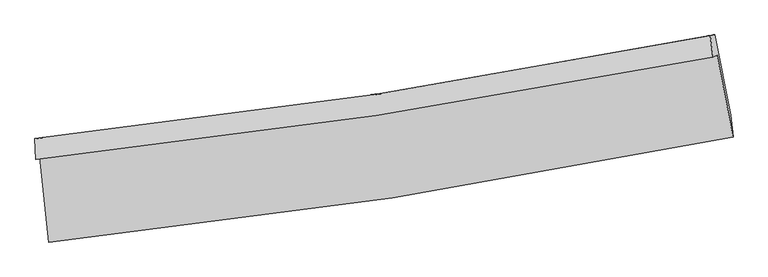
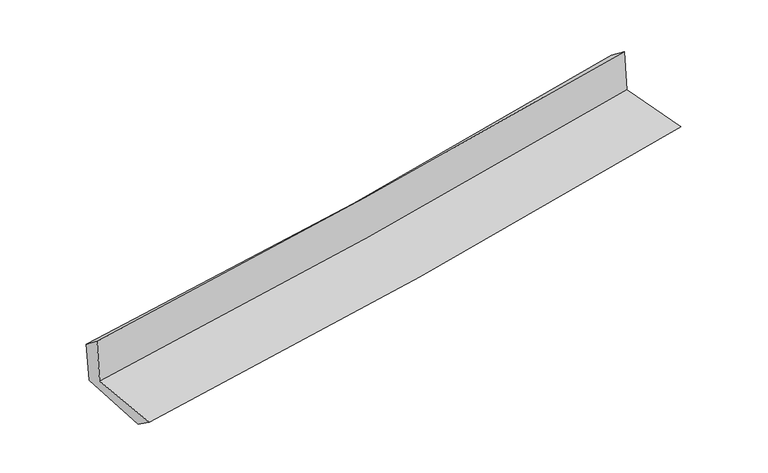
"""IFC4 building model written with IfcOpenShell, lengths in millimetres: proxy geometry."""

from ifc_helpers import new_model, si_unit, frame, origin, place, context, project, spatial, source, transform, mapped, element, save
from ifc_brep_helpers import plane_surface, spline_curve, spline_surface, advanced_brep


def generic_models_68dd38fa(model_context):
    return source(origin(), model_context, "Body", "AdvancedBrep", [
        advanced_brep(
        [(-2675.834813, -1888.8996102, 1651.0337143), (-2605.7566467, -2554.9393638, 1632.7786296), (2749.4941668, -1729.0807239, 2121.1366654), (2624.1117319, -1087.0073977, 2133.9122739), (-2709.4166589, -1906.4238427, 2058.6230023), (2591.7061071, -1103.9178352, 2527.2255422), (-2715.3825932, -1743.7666579, 1934.6642754), (2571.3539898, -936.6270911, 2394.7805129), (-2684.3651035, -1737.2308398, 1569.6305548), (2604.898303, -929.6119038, 2010.0194815), (-2612.2853006, -2393.8482615, 1517.1570397), (2729.7714312, -1558.0490357, 1973.7742505)],
        [
            (0, 1),
            (1, 2, spline_curve(3, [(-2605.7566467, -2554.9393638, 1632.7786296), (-1707.027433402, -2460.907078772, 1722.311264783), (-810.963194234, -2344.981730847, 1807.809521663), (974.110127871, -2069.611045616, 1970.579967556), (1863.12949294, -1910.250180163, 2047.867722299), (2749.4941668, -1729.0807239, 2121.1366654)], [4, 2, 4], [0.0, 8.888143968573823, 17.759124382170157])),
            (2, 3),
            (3, 0, spline_curve(3, [(2624.1117319, -1087.0073977, 2133.9122739), (1746.856533874, -1258.631726645, 2061.751408511), (866.996093616, -1411.222072144, 1985.473968727), (-899.642663634, -1678.593201236, 1824.530393896), (-1786.431071758, -1793.300259768, 1739.848313662), (-2675.834813, -1888.8996102, 1651.0337143)], [4, 2, 4], [0.0, 8.870980413596333, 17.759124382170157])),
            (4, 0),
            (3, 5),
            (5, 4, spline_curve(3, [(2591.7061071, -1103.9178352, 2527.2255422), (1714.042700881, -1275.755181892, 2460.019177447), (833.880130262, -1428.503190126, 2387.40875159), (-933.151111602, -1696.079131998, 2231.228836939), (-1820.029462931, -1810.833126241, 2147.638415756), (-2709.4166589, -1906.4238427, 2058.6230023)], [4, 2, 4], [0.0, 8.82270155721982, 17.662473259583376])),
            (6, 4),
            (5, 7),
            (7, 6, spline_curve(3, [(2571.3539898, -936.6270911, 2394.7805129), (1697.690325632, -1110.705126031, 2317.033982324), (820.72609147, -1264.959944921, 2239.854206256), (-941.506652034, -1534.083249473, 2086.479932025), (-1826.787945358, -1648.874952719, 2010.287628923), (-2715.3825932, -1743.7666579, 1934.6642754)], [4, 2, 4], [0.0, 8.811057882245661, 17.639163381476248])),
            (8, 6),
            (7, 9),
            (9, 8, spline_curve(3, [(2604.898303, -929.6119038, 2010.0194815), (1729.655078286, -1104.017690557, 1948.797581191), (851.690138648, -1258.476414028, 1881.528871966), (-911.387121208, -1527.75998766, 1734.755984317), (-1796.509983875, -1642.507576257, 1655.228384876), (-2684.3651035, -1737.2308398, 1569.6305548)], [4, 2, 4], [0.0, 8.800274652818798, 17.617576059252016])),
            (10, 8),
            (9, 11),
            (11, 10, spline_curve(3, [(2729.7714312, -1558.0490357, 1973.7742505), (1845.950359552, -1744.713957715, 1912.670603247), (959.301407352, -1907.651993377, 1844.111333369), (-821.373216531, -2186.343637873, 1691.93447437), (-1715.409841482, -2302.005344001, 1608.288007581), (-2612.2853006, -2393.8482615, 1517.1570397)], [4, 2, 4], [0.0, 8.848990214201553, 17.715101436787243])),
            (1, 10),
            (11, 2),
        ],
        [
            spline_surface(3, 3, [[(-2675.834813, -1888.8996102, 1651.0337143), (-1786.431071809, -1793.300259903, 1739.848313792), (-899.642663664, -1678.593201315, 1824.53039381), (866.996093645, -1411.222072065, 1985.473968813), (1746.856533809, -1258.631726499, 2061.751408608), (2624.1117319, -1087.0073977, 2133.9122739)], [(-2652.475424243, -2110.912861371, 1644.948686067), (-1759.963192391, -2015.835866164, 1734.002630785), (-870.082840497, -1900.722711169, 1818.956769779), (902.700771699, -1630.685063212, 1980.509301692), (1785.614186847, -1475.837877677, 2057.1235132), (2665.905876854, -1301.031839746, 2129.65373773)], [(-2629.116035457, -2332.926112629, 1638.863657833), (-1733.495312944, -2238.37147251, 1728.156947779), (-840.523017333, -2122.852221063, 1813.383145774), (938.40544975, -1850.148054399, 1975.544634598), (1824.371839924, -1693.044028916, 2052.495617801), (2707.700021846, -1515.056281854, 2125.39520157)], [(-2605.7566467, -2554.9393638, 1632.7786296), (-1707.027433526, -2460.907078771, 1722.311264773), (-810.963194167, -2344.981730917, 1807.809521742), (974.110127804, -2069.611045546, 1970.579967476), (1863.129492962, -1910.250180094, 2047.867722393), (2749.4941668, -1729.0807239, 2121.1366654)]], [4, 4], [4, 2, 4], [0.0, 2.197426393059228], [0.0, 8.888143968573823, 17.759124382170157]),
            spline_surface(3, 3, [[(-2709.4166589, -1906.4238427, 2058.6230023), (-1820.029463055, -1810.833126368, 2147.638415808), (-933.151111603, -1696.079132068, 2231.228836836), (833.880130262, -1428.503190056, 2387.408751693), (1714.042700857, -1275.755181906, 2460.019177329), (2591.7061071, -1103.9178352, 2527.2255422)], [(-2698.222710267, -1900.582431874, 1922.759906275), (-1808.829999307, -1804.988837554, 2011.708381778), (-921.981628954, -1690.250488485, 2095.662689141), (844.918784726, -1422.742817394, 2253.430490714), (1724.980645192, -1270.047363464, 2327.263254439), (2602.507982052, -1098.281022726, 2396.121119451)], [(-2687.028761633, -1894.741021026, 1786.896810325), (-1797.630535558, -1799.144548718, 1875.778347822), (-910.812146313, -1684.421844898, 1960.096541505), (855.957439181, -1416.982444727, 2119.452229793), (1735.918589473, -1264.339544942, 2194.507331497), (2613.309856948, -1092.644210174, 2265.016696649)], [(-2675.834813, -1888.8996102, 1651.0337143), (-1786.431071809, -1793.300259903, 1739.848313792), (-899.642663664, -1678.593201315, 1824.53039381), (866.996093645, -1411.222072065, 1985.473968813), (1746.856533809, -1258.631726499, 2061.751408608), (2624.1117319, -1087.0073977, 2133.9122739)]], [4, 4], [4, 2, 4], [0.0, 1.332229329051937], [0.0, 8.839771702363555, 17.662473259583376]),
            spline_surface(3, 3, [[(-2715.3825932, -1743.7666579, 1934.6642754), (-1826.787945414, -1648.874952609, 2010.28762889), (-941.506651998, -1534.083249343, 2086.479931944), (820.726091434, -1264.959945052, 2239.854206336), (1697.690325697, -1110.705126013, 2317.033982462), (2571.3539898, -936.6270911, 2394.7805129)], [(-2713.393948431, -1797.985719523, 1975.983851047), (-1824.535117959, -1702.861010552, 2056.071224542), (-938.721471865, -1588.081876925, 2134.729566935), (825.110771044, -1319.47436006, 2289.039054815), (1703.141117402, -1165.72181129, 2364.695714089), (2578.138028885, -992.390672446, 2438.928856005)], [(-2711.405303669, -1852.204781077, 2017.303426653), (-1822.282290511, -1756.847068425, 2101.854820155), (-935.936291736, -1642.080504486, 2182.979201846), (829.495450651, -1373.988775048, 2338.223903214), (1708.591909151, -1220.738496629, 2412.357445701), (2584.922068015, -1048.154253854, 2483.077199095)], [(-2709.4166589, -1906.4238427, 2058.6230023), (-1820.029463055, -1810.833126368, 2147.638415808), (-933.151111603, -1696.079132068, 2231.228836836), (833.880130262, -1428.503190056, 2387.408751693), (1714.042700857, -1275.755181906, 2460.019177329), (2591.7061071, -1103.9178352, 2527.2255422)]], [4, 4], [4, 2, 4], [0.0, 0.7185604122418383], [0.0, 8.828105499230587, 17.639163381476248]),
            spline_surface(3, 3, [[(-2684.3651035, -1737.2308398, 1569.6305548), (-1796.509983884, -1642.507576204, 1655.228384778), (-911.387121302, -1527.759987724, 1734.755984363), (851.690138743, -1258.476413965, 1881.52887192), (1729.65507832, -1104.017690471, 1948.797581233), (2604.898303, -929.6119038, 2010.0194815)], [(-2694.704266734, -1739.409445817, 1691.308461658), (-1806.602637728, -1644.630034989, 1773.58146614), (-921.426964852, -1529.86774159, 1851.997300214), (841.368789655, -1260.637590987, 2000.970650049), (1719.000160768, -1106.246835667, 2071.543048293), (2593.716865256, -931.950299582, 2138.273158617)], [(-2705.043429966, -1741.588051883, 1812.986368542), (-1816.69529157, -1646.752493823, 1891.934547527), (-931.466808449, -1531.975495476, 1969.238616094), (831.047440521, -1262.798768029, 2120.412428207), (1708.345243249, -1108.475980817, 2194.288515401), (2582.535427544, -934.288695318, 2266.526835783)], [(-2715.3825932, -1743.7666579, 1934.6642754), (-1826.787945414, -1648.874952609, 2010.28762889), (-941.506651998, -1534.083249343, 2086.479931944), (820.726091434, -1264.959945052, 2239.854206336), (1697.690325697, -1110.705126013, 2317.033982462), (2571.3539898, -936.6270911, 2394.7805129)]], [4, 4], [4, 2, 4], [0.0, 1.1692488609939298], [0.0, 8.817301406433218, 17.617576059252016]),
            spline_surface(3, 3, [[(-2612.2853006, -2393.8482615, 1517.1570397), (-1715.409841538, -2302.005343966, 1608.28800753), (-821.373216546, -2186.343637736, 1691.934474485), (959.301407367, -1907.651993515, 1844.111333254), (1845.950359665, -1744.713957819, 1912.670603246), (2729.7714312, -1558.0490357, 1973.7742505)], [(-2636.311901557, -2174.975787606, 1534.648211399), (-1742.44322231, -2082.172754718, 1623.934799945), (-851.377851483, -1966.815754396, 1706.208311095), (923.430984474, -1691.260133662, 1856.583846127), (1807.185265908, -1531.148535366, 1924.712929249), (2688.147055159, -1348.56999173, 1985.855994173)], [(-2660.338502543, -1956.103313694, 1552.139383101), (-1769.476603112, -1862.340165452, 1639.581592363), (-881.382486365, -1747.287871063, 1720.482147753), (887.560561636, -1474.868273818, 1869.056359048), (1768.420172076, -1317.583112924, 1936.755255231), (2646.522679041, -1139.09094777, 1997.937737827)], [(-2684.3651035, -1737.2308398, 1569.6305548), (-1796.509983884, -1642.507576204, 1655.228384778), (-911.387121302, -1527.759987724, 1734.755984363), (851.690138743, -1258.476413965, 1881.52887192), (1729.65507832, -1104.017690471, 1948.797581233), (2604.898303, -929.6119038, 2010.0194815)]], [4, 4], [4, 2, 4], [0.0, 2.173642448239452], [0.0, 8.86611122258569, 17.715101436787243]),
            spline_surface(3, 3, [[(-2605.7566467, -2554.9393638, 1632.7786296), (-1707.027433526, -2460.907078771, 1722.311264773), (-810.963194167, -2344.981730917, 1807.809521742), (974.110127804, -2069.611045546, 1970.579967476), (1863.129492962, -1910.250180094, 2047.867722393), (2749.4941668, -1729.0807239, 2121.1366654)], [(-2607.932864669, -2501.242329709, 1594.238099654), (-1709.821569532, -2407.939833844, 1684.303512379), (-814.433201629, -2292.102366537, 1769.184506018), (969.173887657, -2015.624694883, 1928.423756097), (1857.403115191, -1855.071439338, 2002.802016001), (2742.919921595, -1672.070161169, 2072.015860423)], [(-2610.109082631, -2447.545295591, 1555.697569646), (-1712.615705532, -2354.972588892, 1646.295759923), (-817.903209084, -2239.223002115, 1730.559490209), (964.237647515, -1961.638344178, 1886.267544634), (1851.676737436, -1799.892698575, 1957.736309638), (2736.345676405, -1615.059598431, 2022.895055477)], [(-2612.2853006, -2393.8482615, 1517.1570397), (-1715.409841538, -2302.005343966, 1608.28800753), (-821.373216546, -2186.343637736, 1691.934474485), (959.301407367, -1907.651993515, 1844.111333254), (1845.950359665, -1744.713957819, 1912.670603246), (2729.7714312, -1558.0490357, 1973.7742505)]], [4, 4], [4, 2, 4], [0.0, 0.6605303676201075], [0.0, 8.92524973308043, 17.83326425766028]),
            plane_surface(frame((2645.2226216, -1224.0489979, 2193.4747877), z_axis=(0.9779232641325839, 0.18920130686705655, 0.08870713019859647), x_axis=(-0.0868384288595686, -0.01816068920806211, 0.9960568641602194))),
            plane_surface(frame((-2667.1735193, -2037.518096, 1727.314536), z_axis=(-0.9910652503238134, -0.10191796954069471, -0.08603718431759266), x_axis=(-0.1045997364110929, 0.9941410622307932, 0.027247816965035653))),
        ],
        [
            (0, [[1, 2, 3, 4]]),
            (1, [[5, -4, 6, 7]]),
            (2, [[8, -7, 9, 10]]),
            (3, [[11, -10, 12, 13]]),
            (4, [[14, -13, 15, 16]]),
            (5, [[17, -16, 18, -2]]),
            (6, [[-12, -9, -6, -3, -18, -15]]),
            (7, [[-1, -5, -8, -11, -14, -17]]),
        ],
    ),
    ])


if __name__ == "__main__":
    model = new_model("IFC4")
    model_context = context("Model", 3, world=origin())
    ifc_project = project(units=[si_unit("LENGTHUNIT", "METRE", prefix="MILLI")], contexts=[model_context])
    site = spatial("IfcSite", under=ifc_project)
    building = spatial("IfcBuilding", under=site)
    placement = place(None, origin())
    generic_models_shape = generic_models_68dd38fa(model_context)
    element("IfcBuildingElementProxy", 1, Name="Generic Models", at=placement, inside=building, context=model_context, shape_type="MappedRepresentation", body=[
        mapped(generic_models_shape, transform((0.0, 0.0, 0.0), x_axis=(1.0, 0.0, 0.0), y_axis=(0.0, 1.0, 0.0), z_axis=(0.0, 0.0, 1.0))),
    ])
    save(model, "model.ifc")
